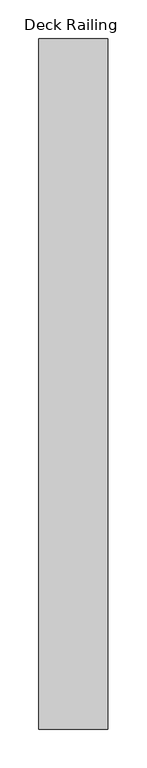
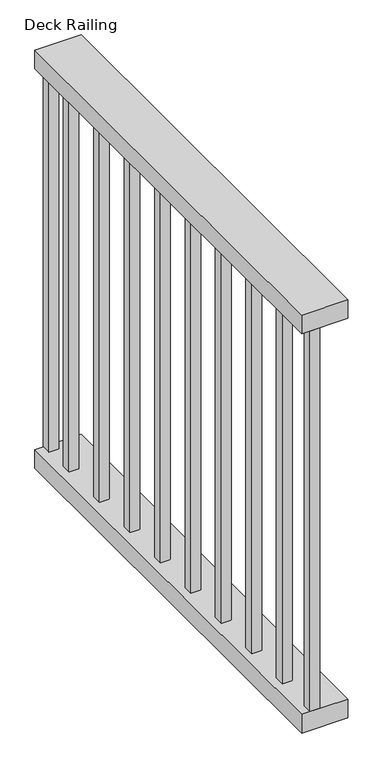
"""IFC4 building model written with IfcOpenShell, lengths in millimetres: railing geometry, Deck Railing."""

from ifc_helpers import new_model, si_unit, frame, origin, place, context, project, spatial, polyline, outline, extrude, source, transform, mapped, element, save


def deck_railing_17d96775(model_context):
    return source(origin(), model_context, "Body", "SweptSolid", [
        extrude(outline(polyline([(-8646.4871552, -449.3167866), (-8735.3871552, -449.3167866), (-8735.3871552, 439.6832134), (-8646.4871552, 439.6832134), (-8646.4871552, -449.3167866)])), frame((0.0, 0.0, 2095.5), z_axis=(0.0, 0.0, 1.0), x_axis=(1.0, 0.0, 0.0)), (0.0, 0.0, 1.0), 38.1),
        extrude(outline(polyline([(-8646.4871552, -449.3167866), (-8735.3871552, -449.3167866), (-8735.3871552, 439.6832134), (-8646.4871552, 439.6832134), (-8646.4871552, -449.3167866)])), frame((0.0, 0.0, 1282.7), z_axis=(0.0, 0.0, 1.0), x_axis=(1.0, 0.0, 0.0)), (0.0, 0.0, 1.0), 38.1),
        extrude(outline(polyline([(-8700.4621552, 353.9582134), (-8719.5121552, 353.9582134), (-8719.5121552, 373.0082134), (-8700.4621552, 373.0082134), (-8700.4621552, 353.9582134)])), frame((0.0, 0.0, 1320.8), z_axis=(0.0, 0.0, 1.0), x_axis=(1.0, 0.0, 0.0)), (0.0, 0.0, 1.0), 774.7),
        extrude(outline(polyline([(-8700.4621552, 252.3582134), (-8719.5121552, 252.3582134), (-8719.5121552, 271.4082134), (-8700.4621552, 271.4082134), (-8700.4621552, 252.3582134)])), frame((0.0, 0.0, 1320.8), z_axis=(0.0, 0.0, 1.0), x_axis=(1.0, 0.0, 0.0)), (0.0, 0.0, 1.0), 774.7),
        extrude(outline(polyline([(-8700.4621552, 150.7582134), (-8719.5121552, 150.7582134), (-8719.5121552, 169.8082134), (-8700.4621552, 169.8082134), (-8700.4621552, 150.7582134)])), frame((0.0, 0.0, 1320.8), z_axis=(0.0, 0.0, 1.0), x_axis=(1.0, 0.0, 0.0)), (0.0, 0.0, 1.0), 774.7),
        extrude(outline(polyline([(-8700.4621552, 49.1582134), (-8719.5121552, 49.1582134), (-8719.5121552, 68.2082134), (-8700.4621552, 68.2082134), (-8700.4621552, 49.1582134)])), frame((0.0, 0.0, 1320.8), z_axis=(0.0, 0.0, 1.0), x_axis=(1.0, 0.0, 0.0)), (0.0, 0.0, 1.0), 774.7),
        extrude(outline(polyline([(-8700.4621552, -52.4417866), (-8719.5121552, -52.4417866), (-8719.5121552, -33.3917866), (-8700.4621552, -33.3917866), (-8700.4621552, -52.4417866)])), frame((0.0, 0.0, 1320.8), z_axis=(0.0, 0.0, 1.0), x_axis=(1.0, 0.0, 0.0)), (0.0, 0.0, 1.0), 774.7),
        extrude(outline(polyline([(-8700.4621552, -154.0417866), (-8719.5121552, -154.0417866), (-8719.5121552, -134.9917866), (-8700.4621552, -134.9917866), (-8700.4621552, -154.0417866)])), frame((0.0, 0.0, 1320.8), z_axis=(0.0, 0.0, 1.0), x_axis=(1.0, 0.0, 0.0)), (0.0, 0.0, 1.0), 774.7),
        extrude(outline(polyline([(-8700.4621552, -255.6417866), (-8719.5121552, -255.6417866), (-8719.5121552, -236.5917866), (-8700.4621552, -236.5917866), (-8700.4621552, -255.6417866)])), frame((0.0, 0.0, 1320.8), z_axis=(0.0, 0.0, 1.0), x_axis=(1.0, 0.0, 0.0)), (0.0, 0.0, 1.0), 774.7),
        extrude(outline(polyline([(-8700.4621552, -357.2417866), (-8719.5121552, -357.2417866), (-8719.5121552, -338.1917866), (-8700.4621552, -338.1917866), (-8700.4621552, -357.2417866)])), frame((0.0, 0.0, 1320.8), z_axis=(0.0, 0.0, 1.0), x_axis=(1.0, 0.0, 0.0)), (0.0, 0.0, 1.0), 774.7),
        extrude(outline(polyline([(-8700.4621552, 420.6332134), (-8719.5121552, 420.6332134), (-8719.5121552, 439.6832134), (-8700.4621552, 439.6832134), (-8700.4621552, 420.6332134)])), frame((0.0, 0.0, 1320.8), z_axis=(0.0, 0.0, 1.0), x_axis=(1.0, 0.0, 0.0)), (0.0, 0.0, 1.0), 774.7),
        extrude(outline(polyline([(-8700.4621552, -449.3167866), (-8719.5121552, -449.3167866), (-8719.5121552, -430.2667866), (-8700.4621552, -430.2667866), (-8700.4621552, -449.3167866)])), frame((0.0, 0.0, 1320.8), z_axis=(0.0, 0.0, 1.0), x_axis=(1.0, 0.0, 0.0)), (0.0, 0.0, 1.0), 774.7),
    ])


if __name__ == "__main__":
    model = new_model("IFC4")
    model_context = context("Model", 3, world=origin())
    ifc_project = project(units=[si_unit("LENGTHUNIT", "METRE", prefix="MILLI")], contexts=[model_context])
    site = spatial("IfcSite", under=ifc_project)
    building = spatial("IfcBuilding", under=site)
    placement = place(None, origin())
    deck_railing_shape = deck_railing_17d96775(model_context)
    element("IfcRailing", 1, ObjectType="Deck Railing", at=placement, inside=building, context=model_context, shape_type="MappedRepresentation", body=[
        mapped(deck_railing_shape, transform((0.0, 0.0, 0.0), x_axis=(1.0, 0.0, 0.0), y_axis=(0.0, 1.0, 0.0), z_axis=(0.0, 0.0, 1.0))),
    ])
    save(model, "model.ifc")
